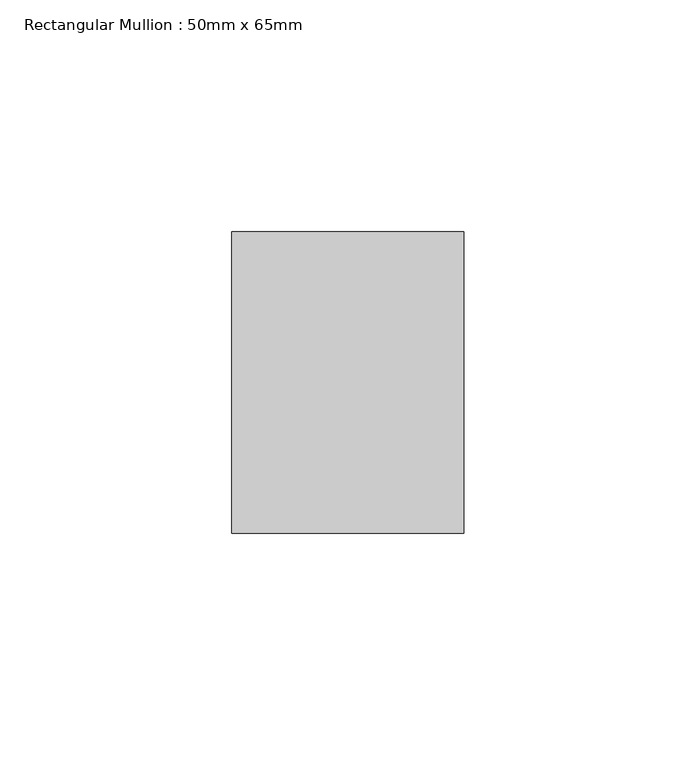
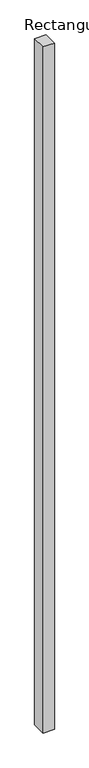
"""IFC4 building model written with IfcOpenShell, lengths in millimetres: member geometry, Rectangular Mullion : 50mm x 65mm."""

from ifc_helpers import new_model, si_unit, frame, origin, place, context, project, spatial, polyline, outline, extrude, source, transform, mapped, element, save


def rectangular_mullion_50mm_x_65mm_3f05359c(model_context):
    return source(origin(), model_context, "Body", "SweptSolid", [
        extrude(outline(polyline([(25.0, 32.5), (25.0, -32.5), (-25.0, -32.5), (-25.0, 32.5), (25.0, 32.5)])), frame((0.0, 0.0, -3235.2673857), z_axis=(0.0, 0.0, 1.0), x_axis=(1.0, 0.0, 0.0)), (0.0, 0.0, 1.0), 3235.2673857),
    ])


if __name__ == "__main__":
    model = new_model("IFC4")
    model_context = context("Model", 3, world=origin())
    ifc_project = project(units=[si_unit("LENGTHUNIT", "METRE", prefix="MILLI")], contexts=[model_context])
    site = spatial("IfcSite", under=ifc_project)
    building = spatial("IfcBuilding", under=site)
    placement = place(None, origin())
    rectangular_mullion_50mm_x_65mm_shape = rectangular_mullion_50mm_x_65mm_3f05359c(model_context)
    element("IfcMember", 1, ObjectType="Rectangular Mullion : 50mm x 65mm", at=placement, inside=building, context=model_context, shape_type="MappedRepresentation", body=[
        mapped(rectangular_mullion_50mm_x_65mm_shape, transform((0.0, 0.0, 0.0), x_axis=(1.0, 0.0, 0.0), y_axis=(0.0, 1.0, 0.0), z_axis=(0.0, 0.0, 1.0))),
    ])
    save(model, "model.ifc")
